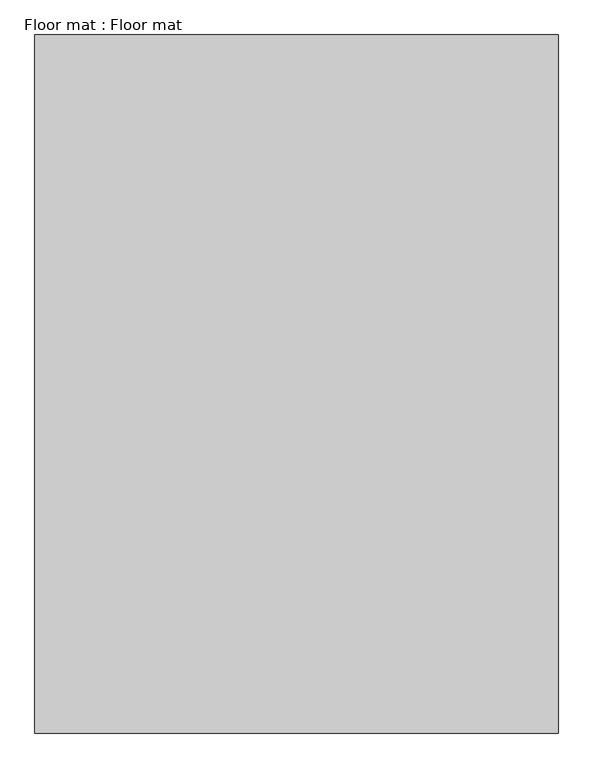
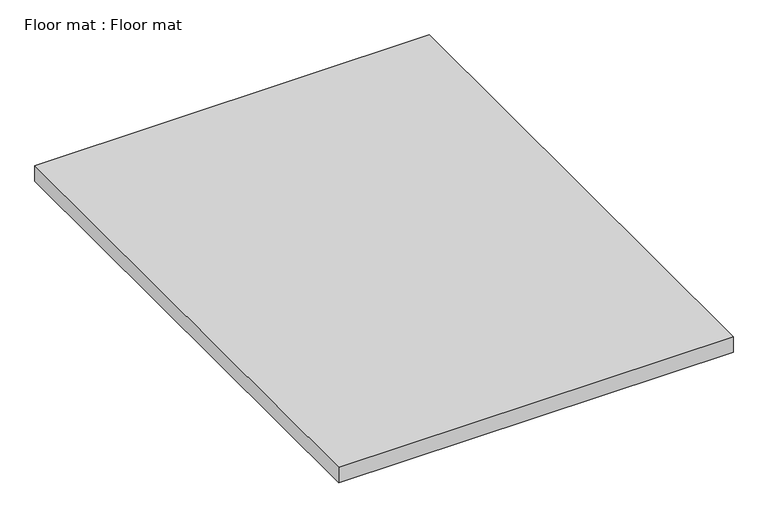
"""IFC4 building model written with IfcOpenShell, lengths in millimetres: proxy geometry, Floor mat : Floor mat."""

from ifc_helpers import new_model, si_unit, origin, origin_with_axes, place, context, project, spatial, polyline, outline, extrude, source, transform, mapped, element, save


def floor_mat_floor_mat_f008bbc0(model_context):
    return source(origin(), model_context, "Body", "SweptSolid", [
        extrude(outline(polyline([(1828.8, 0.0), (0.0, 0.0), (0.0, 2438.4), (1828.8, 2438.4), (1828.8, 0.0)])), origin_with_axes(), (0.0, 0.0, 1.0), 76.2),
    ])


if __name__ == "__main__":
    model = new_model("IFC4")
    model_context = context("Model", 3, world=origin())
    ifc_project = project(units=[si_unit("LENGTHUNIT", "METRE", prefix="MILLI")], contexts=[model_context])
    site = spatial("IfcSite", under=ifc_project)
    building = spatial("IfcBuilding", under=site)
    placement = place(None, origin())
    floor_mat_floor_mat_shape = floor_mat_floor_mat_f008bbc0(model_context)
    element("IfcBuildingElementProxy", 1, Name="Floor mat : Floor mat", ObjectType="Floor mat : Floor mat", at=placement, inside=building, context=model_context, shape_type="MappedRepresentation", body=[
        mapped(floor_mat_floor_mat_shape, transform((0.0, 0.0, 0.0), x_axis=(1.0, 0.0, 0.0), y_axis=(0.0, 1.0, 0.0), z_axis=(0.0, 0.0, 1.0))),
    ])
    save(model, "model.ifc")
